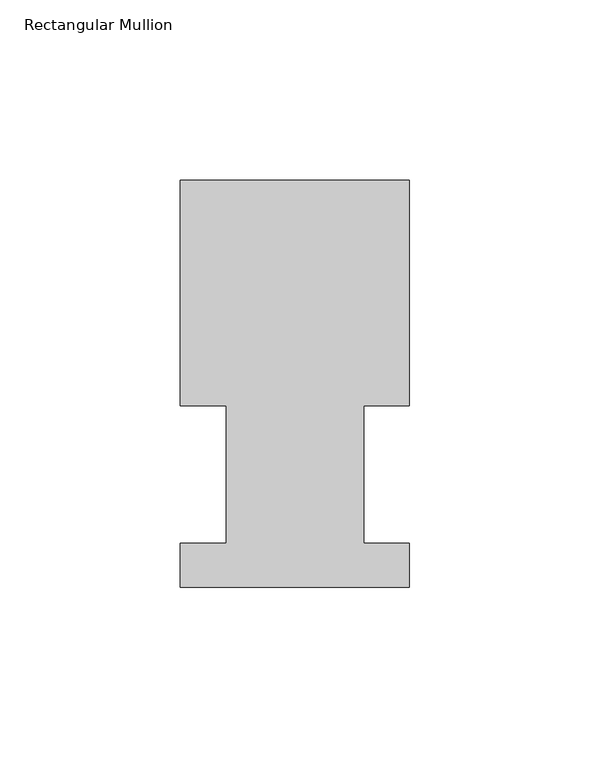
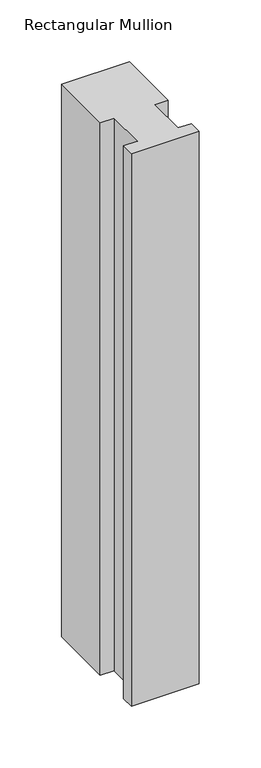
"""IFC4 building model written with IfcOpenShell, lengths in millimetres: member geometry, Rectangular Mullion."""

from ifc_helpers import new_model, si_unit, frame, origin, place, context, project, spatial, polyline, outline, extrude, source, transform, mapped, element, save


def rectangular_mullion_4050c78e(model_context):
    return source(origin(), model_context, "Body", "SweptSolid", [
        extrude(outline(polyline([(-63.5368106, 52.5859375), (-63.5368106, 115.0699375), (0.0, 115.0699375), (0.0, 52.5859375), (-12.602764, 52.5859375), (-12.602764, 14.4858895), (0.0, 14.4858895), (0.0, 2.1909696), (-63.5, 2.1909696), (-63.5, 14.4859413), (-50.7405803, 14.4859413), (-50.7405803, 52.5859375), (-63.5368106, 52.5859375)])), frame((0.0, 0.0, -546.1), z_axis=(0.0, 0.0, 1.0), x_axis=(1.0, 0.0, 0.0)), (0.0, 0.0, 1.0), 546.1),
    ])


if __name__ == "__main__":
    model = new_model("IFC4")
    model_context = context("Model", 3, world=origin())
    ifc_project = project(units=[si_unit("LENGTHUNIT", "METRE", prefix="MILLI")], contexts=[model_context])
    site = spatial("IfcSite", under=ifc_project)
    building = spatial("IfcBuilding", under=site)
    placement = place(None, origin())
    rectangular_mullion_shape = rectangular_mullion_4050c78e(model_context)
    element("IfcMember", 1, ObjectType="Rectangular Mullion", at=placement, inside=building, context=model_context, shape_type="MappedRepresentation", body=[
        mapped(rectangular_mullion_shape, transform((0.0, 0.0, 0.0), x_axis=(1.0, 0.0, 0.0), y_axis=(0.0, 1.0, 0.0), z_axis=(0.0, 0.0, 1.0))),
    ])
    save(model, "model.ifc")
